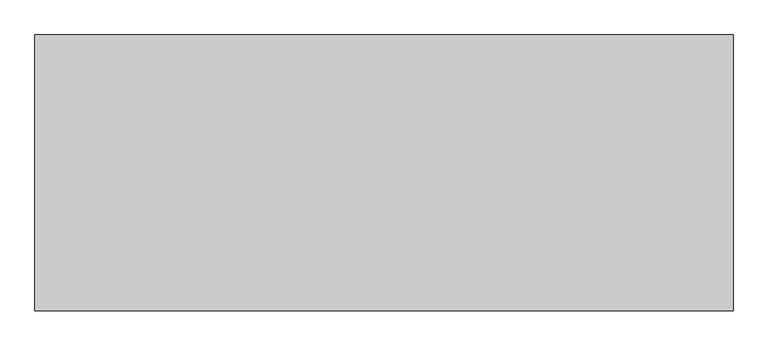
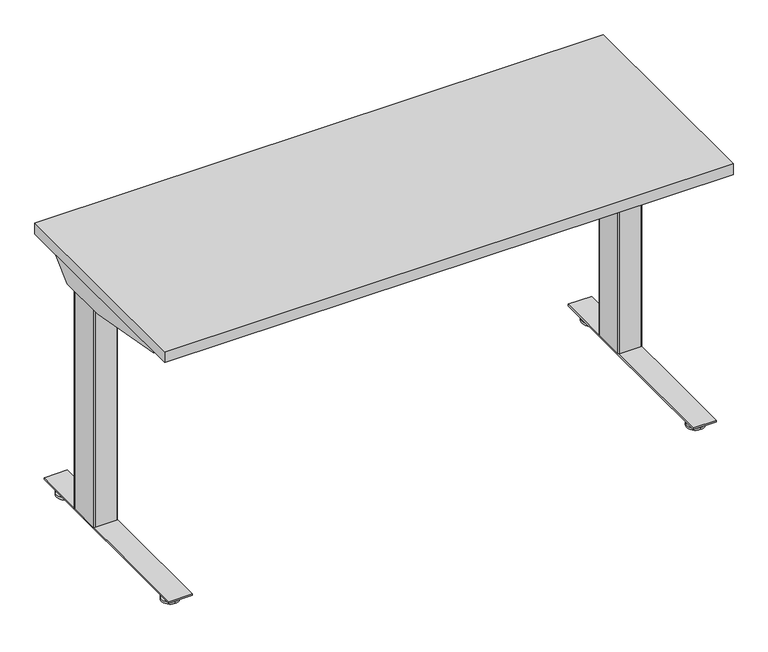
"""IFC4 building model written with IfcOpenShell, lengths in millimetres: furniture geometry."""

from ifc_helpers import new_model, si_unit, point, frame, frame_2d, origin, place, context, project, spatial, polyline, circle_curve, trimmed, segment, composite_curve, outline, extrude, source, transform, mapped, element, save
from ifc_brep_helpers import plane_surface, cylinder_surface, revolved_surface, advanced_brep


def furniture_55f38a4c(model_context):
    return source(origin(), model_context, "Body", "SolidModel", [
        extrude(outline(composite_curve([segment(polyline([(24.0299808, 91.9126008), (24.0299808, 89.2526023), (15.0465732, 89.2526023)]), True, "CONTINUOUS"), segment(trimmed(circle_curve(frame_2d((15.0465732, 88.1760101)), 1.0765922), [point((15.0465732, 89.2526023))], [point((13.969981, 88.1760101))], True, "CARTESIAN"), True, "CONTINUOUS"), segment(polyline([(13.969981, 88.1760101), (13.969981, 57.733733)]), True, "CONTINUOUS"), segment(trimmed(circle_curve(frame_2d((14.981112, 57.733733)), 1.011131), [point((13.969981, 57.733733))], [point((14.981112, 56.7226021))], True, "CARTESIAN"), True, "CONTINUOUS"), segment(polyline([(14.981112, 56.7226021), (24.0299808, 56.7226021), (24.0299808, 54.0625991), (14.9699813, 54.0625991), (13.1399808, 54.5529489), (11.8003278, 55.8926019), (11.3099815, 57.7226046), (11.3099815, 88.2526043), (11.8003278, 90.0826025), (13.1399808, 91.4222555), (14.9699813, 91.9126008), (24.0299808, 91.9126008)]), True, "CONTINUOUS")], self_intersect=False)), frame((0.0, -569.9468746, 0.0), z_axis=(0.0, 1.0, 0.0), x_axis=(0.0, 0.0, 1.0)), (0.0, 0.0, 1.0), 507.9999924),
        advanced_brep(
        [(71.6136021, -573.6252467, 9.1e-06), (71.6136021, -551.0479001, 9.1e-06), (71.6136021, -528.4705535, 9.1e-06), (71.6136021, -573.6109304, 5.8932313), (71.6136021, -528.4848697, 5.8932313), (71.6136021, -554.5684154, 9.6997702), (71.6136021, -547.5273847, 9.6997702), (71.6136021, -554.5684154, 23.9856018), (71.6136021, -547.5273847, 23.9856018), (71.6136021, -551.0479001, 23.9856018)],
        [
            (0, 1),
            (1, 2),
            (2, 0, circle_curve(frame((71.6136021, -551.0479001, 9.1e-06), z_axis=(0.0, 0.0, -1.0), x_axis=(0.0, 1.0, 0.0)), 22.5773466)),
            (0, 2, circle_curve(frame((71.6136021, -551.0479001, 9.1e-06), z_axis=(0.0, 0.0, -1.0), x_axis=(0.0, 1.0, 0.0)), 22.5773466)),
            (3, 0),
            (2, 4),
            (4, 3, circle_curve(frame((71.6136021, -551.0479001, 5.8932313), z_axis=(0.0, 0.0, -1.0), x_axis=(0.0, 1.0, 0.0)), 22.5630303)),
            (3, 4, circle_curve(frame((71.6136021, -551.0479001, 5.8932313), z_axis=(0.0, 0.0, -1.0), x_axis=(0.0, 1.0, 0.0)), 22.5630303)),
            (5, 3),
            (4, 6),
            (6, 5, circle_curve(frame((71.6136021, -551.0479001, 9.6997702), z_axis=(0.0, 0.0, -1.0), x_axis=(0.0, 1.0, 0.0)), 3.5205153)),
            (5, 6, circle_curve(frame((71.6136021, -551.0479001, 9.6997702), z_axis=(0.0, 0.0, -1.0), x_axis=(0.0, 1.0, 0.0)), 3.5205153)),
            (7, 5),
            (6, 8),
            (8, 7, circle_curve(frame((71.6136021, -551.0479001, 23.9856018), z_axis=(0.0, 0.0, -1.0), x_axis=(0.0, 1.0, 0.0)), 3.5205153)),
            (7, 8, circle_curve(frame((71.6136021, -551.0479001, 23.9856018), z_axis=(0.0, 0.0, -1.0), x_axis=(0.0, 1.0, 0.0)), 3.5205153)),
            (9, 7),
            (8, 9),
        ],
        [
            plane_surface(frame((71.6136021, -551.0479001, 9.1e-06), z_axis=(0.0, 0.0, -1.0), x_axis=(0.0, 1.0, 0.0))),
            revolved_surface(polyline([(71.6136021, -528.4705535, 9.1e-06), (71.6136021, -528.4848697, 5.8932313)]), (71.6136021, -551.0479001, -6.3499909), (0.0, 0.0, 1.0)),
            revolved_surface(polyline([(71.6136021, -528.4848697, 5.8932313), (71.6136021, -547.5273847, 9.6997702)]), (71.6136021, -551.0479001, -6.3499909), (0.0, 0.0, 1.0)),
            cylinder_surface(frame((71.6136021, -551.0479001, -6.3499909), z_axis=(0.0, 0.0, 1.0), x_axis=(0.0, 1.0, 0.0)), 3.5205153),
            plane_surface(frame((71.6136021, -551.0479001, 23.9856018), z_axis=(0.0, 0.0, 1.0), x_axis=(0.0, 1.0, 0.0))),
        ],
        [
            (0, [[1, 2, 3]]),
            (0, [[-2, -1, 4]]),
            (1, [[5, -3, 6, 7]]),
            (1, [[-6, -4, -5, 8]]),
            (2, [[9, -7, 10, 11]]),
            (2, [[-10, -8, -9, 12]]),
            (3, [[13, -11, 14, 15]]),
            (3, [[-14, -12, -13, 16]]),
            (4, [[17, -15, 18]]),
            (4, [[-18, -16, -17]]),
        ],
    ),
        advanced_brep(
        [(71.6136021, -80.677371, 23.9447896), (71.6136021, -84.2813634, 23.9447896), (71.6136021, -77.0733786, 23.9447896), (71.6136021, -103.3167838, 9.1e-06), (71.6136021, -80.677371, 9.1e-06), (71.6136021, -58.0379582, 9.1e-06), (71.6136021, -103.3024934, 5.8932313), (71.6136021, -58.0522486, 5.8932313), (71.6136021, -84.2599821, 9.6997702), (71.6136021, -77.0947599, 9.6997702)],
        [
            (0, 1),
            (1, 2, circle_curve(frame((71.6136021, -80.677371, 23.9447896), z_axis=(0.0, 0.0, 1.0), x_axis=(0.0, 1.0, 0.0)), 3.6039924)),
            (2, 0),
            (2, 1, circle_curve(frame((71.6136021, -80.677371, 23.9447896), z_axis=(0.0, 0.0, 1.0), x_axis=(0.0, 1.0, 0.0)), 3.6039924)),
            (3, 4),
            (4, 5),
            (5, 3, circle_curve(frame((71.6136021, -80.677371, 9.1e-06), z_axis=(0.0, 0.0, -1.0), x_axis=(0.0, 1.0, 0.0)), 22.6394128)),
            (3, 5, circle_curve(frame((71.6136021, -80.677371, 9.1e-06), z_axis=(0.0, 0.0, -1.0), x_axis=(0.0, 1.0, 0.0)), 22.6394128)),
            (6, 3),
            (5, 7),
            (7, 6, circle_curve(frame((71.6136021, -80.677371, 5.8932313), z_axis=(0.0, 0.0, -1.0), x_axis=(0.0, 1.0, 0.0)), 22.6251224)),
            (6, 7, circle_curve(frame((71.6136021, -80.677371, 5.8932313), z_axis=(0.0, 0.0, -1.0), x_axis=(0.0, 1.0, 0.0)), 22.6251224)),
            (8, 6),
            (7, 9),
            (9, 8, circle_curve(frame((71.6136021, -80.677371, 9.6997702), z_axis=(0.0, 0.0, -1.0), x_axis=(0.0, 1.0, 0.0)), 3.5826111)),
            (8, 9, circle_curve(frame((71.6136021, -80.677371, 9.6997702), z_axis=(0.0, 0.0, -1.0), x_axis=(0.0, 1.0, 0.0)), 3.5826111)),
            (1, 8),
            (9, 2),
        ],
        [
            plane_surface(frame((71.6136021, -80.677371, 23.9447896), z_axis=(0.0, 0.0, 1.0), x_axis=(0.0, 1.0, 0.0))),
            plane_surface(frame((71.6136021, -80.677371, 9.1e-06), z_axis=(0.0, 0.0, -1.0), x_axis=(0.0, 1.0, 0.0))),
            revolved_surface(polyline([(71.6136021, -58.0379582, 9.1e-06), (71.6136021, -58.0522486, 5.8932313)]), (71.6136021, -80.677371, -4.2199069), (0.0, 0.0, 1.0)),
            revolved_surface(polyline([(71.6136021, -58.0522486, 5.8932313), (71.6136021, -77.0947599, 9.6997702)]), (71.6136021, -80.677371, -4.2199069), (0.0, 0.0, 1.0)),
            cylinder_surface(frame((71.6136021, -80.677371, -4.2199069), z_axis=(0.0, 0.0, 1.0), x_axis=(0.0, 1.0, 0.0)), 3.5617141),
        ],
        [
            (0, [[1, 2, 3]]),
            (0, [[-3, 4, -1]]),
            (1, [[5, 6, 7]]),
            (1, [[-6, -5, 8]]),
            (2, [[9, -7, 10, 11]]),
            (2, [[-10, -8, -9, 12]]),
            (3, [[13, -11, 14, 15]]),
            (3, [[-14, -12, -13, 16]]),
            (4, [[17, -15, 18, -2]]),
            (4, [[-18, -16, -17, -4]]),
        ],
    ),
        extrude(outline(polyline([(42.9876029, -36.5468837), (102.9576025, -36.5468837), (102.9576025, -595.3468867), (42.9876029, -595.3468867), (42.9876029, -36.5468837)])), frame((0.0, 0.0, 24.0299808), z_axis=(0.0, 0.0, 1.0), x_axis=(1.0, 0.0, 0.0)), (0.0, 0.0, 1.0), 4.1800001),
        extrude(outline(composite_curve([segment(polyline([(98.1047994, -176.9740482), (98.1047994, -259.4776259)]), True, "CONTINUOUS"), segment(trimmed(circle_curve(frame_2d((95.8187994, -259.4776259)), 2.286), [point((98.1047994, -259.4776259))], [point((95.8187994, -261.7636259))], False, "CARTESIAN"), True, "CONTINUOUS"), segment(polyline([(95.8187994, -261.7636259), (47.5023125, -261.7636259)]), True, "CONTINUOUS"), segment(trimmed(circle_curve(frame_2d((47.5023125, -259.4776259)), 2.286), [point((47.5023125, -261.7636259))], [point((45.2163125, -259.4776259))], False, "CARTESIAN"), True, "CONTINUOUS"), segment(polyline([(45.2163125, -259.4776259), (45.2163125, -176.8141955)]), True, "CONTINUOUS"), segment(trimmed(circle_curve(frame_2d((47.5023125, -176.9740482)), 2.2915822), [point((45.2163125, -176.8141955))], [point((47.3424598, -174.6880482))], False, "CARTESIAN"), True, "CONTINUOUS"), segment(polyline([(47.3424598, -174.6880482), (95.8187994, -174.6880482)]), True, "CONTINUOUS"), segment(trimmed(circle_curve(frame_2d((95.8187994, -176.9740482)), 2.286), [point((95.8187994, -174.6880482))], [point((98.1047994, -176.9740482))], False, "CARTESIAN"), True, "CONTINUOUS")], self_intersect=False)), frame((0.0, 0.0, 631.6980091), z_axis=(0.0, 0.0, 1.0), x_axis=(1.0, 0.0, 0.0)), (0.0, 0.0, 1.0), 51.7201446),
        extrude(outline(composite_curve([segment(polyline([(44.6584207, -171.761107), (100.2656021, -171.761107)]), True, "CONTINUOUS"), segment(trimmed(circle_curve(frame_2d((100.2656021, -174.809107)), 3.048), [point((100.2656021, -171.761107))], [point((103.3136021, -174.809107))], False, "CARTESIAN"), True, "CONTINUOUS"), segment(polyline([(103.3136021, -174.809107), (103.3136021, -258.707113)]), True, "CONTINUOUS"), segment(trimmed(circle_curve(frame_2d((100.2656021, -258.707113)), 3.048), [point((103.3136021, -258.707113))], [point((100.2635382, -261.7551123))], False, "CARTESIAN"), True, "CONTINUOUS"), segment(polyline([(100.2635382, -261.7551123), (44.638999, -261.7174476)]), True, "CONTINUOUS"), segment(trimmed(circle_curve(frame_2d((44.6410511, -258.686818)), 3.0306304), [point((44.638999, -261.7174476))], [point((41.6104207, -258.686818))], False, "CARTESIAN"), True, "CONTINUOUS"), segment(polyline([(41.6104207, -258.686818), (41.6104207, -174.809107)]), True, "CONTINUOUS"), segment(trimmed(circle_curve(frame_2d((44.6584207, -174.809107)), 3.048), [point((41.6104207, -174.809107))], [point((44.6584207, -171.761107))], False, "CARTESIAN"), True, "CONTINUOUS")], self_intersect=False)), frame((0.0, 0.0, 28.209981), z_axis=(0.0, 0.0, 1.0), x_axis=(1.0, 0.0, 0.0)), (0.0, 0.0, 1.0), 603.4880281),
        extrude(outline(composite_curve([segment(polyline([(24.0299717, 1409.9357036), (14.9699722, 1409.9357036), (13.1399717, 1410.4260488), (11.8003187, 1411.7657018), (11.3099724, 1413.5957), (11.3099724, 1444.1256997), (11.8003187, 1445.9557024), (13.1399717, 1447.2953554), (14.9699722, 1447.7857052), (24.0299717, 1447.7857052), (24.0299717, 1445.1257022), (14.9811029, 1445.1257022)]), True, "CONTINUOUS"), segment(trimmed(circle_curve(frame_2d((14.9811029, 1444.1145713)), 1.011131), [point((14.9811029, 1445.1257022))], [point((13.9699719, 1444.1145713))], True, "CARTESIAN"), True, "CONTINUOUS"), segment(polyline([(13.9699719, 1444.1145713), (13.9699719, 1413.6722942)]), True, "CONTINUOUS"), segment(trimmed(circle_curve(frame_2d((15.0465641, 1413.6722942)), 1.0765922), [point((13.9699719, 1413.6722942))], [point((15.0465641, 1412.595702))], True, "CARTESIAN"), True, "CONTINUOUS"), segment(polyline([(15.0465641, 1412.595702), (24.0299717, 1412.595702), (24.0299717, 1409.9357036)]), True, "CONTINUOUS")], self_intersect=False)), frame((0.0, -569.9468746, 0.0), z_axis=(0.0, 1.0, 0.0), x_axis=(0.0, 0.0, 1.0)), (0.0, 0.0, 1.0), 507.9999924),
        advanced_brep(
        [(1430.2347023, -573.6252467, 0.0), (1430.2347023, -528.4705535, 0.0), (1430.2347023, -551.0479001, 0.0), (1430.2347023, -573.6109304, 5.8932222), (1430.2347023, -528.4848697, 5.8932222), (1430.2347023, -554.5684154, 9.6997611), (1430.2347023, -547.5273847, 9.6997611), (1430.2347023, -554.5684154, 23.9855927), (1430.2347023, -547.5273847, 23.9855927), (1430.2347023, -551.0479001, 23.9855927)],
        [
            (0, 1, circle_curve(frame((1430.2347023, -551.0479001, 0.0), z_axis=(0.0, 0.0, -1.0), x_axis=(0.0, 1.0, 0.0)), 22.5773466)),
            (1, 2),
            (2, 0),
            (1, 0, circle_curve(frame((1430.2347023, -551.0479001, 0.0), z_axis=(0.0, 0.0, -1.0), x_axis=(0.0, 1.0, 0.0)), 22.5773466)),
            (3, 4, circle_curve(frame((1430.2347023, -551.0479001, 5.8932222), z_axis=(0.0, 0.0, -1.0), x_axis=(0.0, 1.0, 0.0)), 22.5630303)),
            (4, 1),
            (0, 3),
            (4, 3, circle_curve(frame((1430.2347023, -551.0479001, 5.8932222), z_axis=(0.0, 0.0, -1.0), x_axis=(0.0, 1.0, 0.0)), 22.5630303)),
            (5, 6, circle_curve(frame((1430.2347023, -551.0479001, 9.6997611), z_axis=(0.0, 0.0, -1.0), x_axis=(0.0, 1.0, 0.0)), 3.5205153)),
            (6, 4),
            (3, 5),
            (6, 5, circle_curve(frame((1430.2347023, -551.0479001, 9.6997611), z_axis=(0.0, 0.0, -1.0), x_axis=(0.0, 1.0, 0.0)), 3.5205153)),
            (7, 8, circle_curve(frame((1430.2347023, -551.0479001, 23.9855927), z_axis=(0.0, 0.0, -1.0), x_axis=(0.0, 1.0, 0.0)), 3.5205153)),
            (8, 6),
            (5, 7),
            (8, 7, circle_curve(frame((1430.2347023, -551.0479001, 23.9855927), z_axis=(0.0, 0.0, -1.0), x_axis=(0.0, 1.0, 0.0)), 3.5205153)),
            (9, 8),
            (7, 9),
        ],
        [
            plane_surface(frame((1430.2347023, -551.0479001, 0.0), z_axis=(0.0, 0.0, -1.0), x_axis=(0.0, 1.0, 0.0))),
            revolved_surface(polyline([(1430.2347023, -528.4705535, 0.0), (1430.2347023, -528.4848697, 5.8932222)]), (1430.2347023, -551.0479001, -6.35), (0.0, 0.0, 1.0)),
            revolved_surface(polyline([(1430.2347023, -528.4848697, 5.8932222), (1430.2347023, -547.5273847, 9.6997611)]), (1430.2347023, -551.0479001, -6.35), (0.0, 0.0, 1.0)),
            cylinder_surface(frame((1430.2347023, -551.0479001, -6.35), z_axis=(0.0, 0.0, 1.0), x_axis=(0.0, 1.0, 0.0)), 3.5205153),
            plane_surface(frame((1430.2347023, -551.0479001, 23.9855927), z_axis=(0.0, 0.0, 1.0), x_axis=(0.0, 1.0, 0.0))),
        ],
        [
            (0, [[1, 2, 3]]),
            (0, [[4, -3, -2]]),
            (1, [[5, 6, -1, 7]]),
            (1, [[8, -7, -4, -6]]),
            (2, [[9, 10, -5, 11]]),
            (2, [[12, -11, -8, -10]]),
            (3, [[13, 14, -9, 15]]),
            (3, [[16, -15, -12, -14]]),
            (4, [[17, -13, 18]]),
            (4, [[-18, -16, -17]]),
        ],
    ),
        advanced_brep(
        [(1430.2347023, -80.677371, 23.9447805), (1430.2347023, -77.0733786, 23.9447805), (1430.2347023, -84.2813634, 23.9447805), (1430.2347023, -103.3167838, 0.0), (1430.2347023, -58.0379582, 0.0), (1430.2347023, -80.677371, 0.0), (1430.2347023, -103.3024934, 5.8932222), (1430.2347023, -58.0522486, 5.8932222), (1430.2347023, -84.2599821, 9.6997611), (1430.2347023, -77.0947599, 9.6997611)],
        [
            (0, 1),
            (1, 2, circle_curve(frame((1430.2347023, -80.677371, 23.9447805), z_axis=(0.0, 0.0, 1.0), x_axis=(0.0, 1.0, 0.0)), 3.6039924)),
            (2, 0),
            (2, 1, circle_curve(frame((1430.2347023, -80.677371, 23.9447805), z_axis=(0.0, 0.0, 1.0), x_axis=(0.0, 1.0, 0.0)), 3.6039924)),
            (3, 4, circle_curve(frame((1430.2347023, -80.677371, 0.0), z_axis=(0.0, 0.0, -1.0), x_axis=(0.0, 1.0, 0.0)), 22.6394128)),
            (4, 5),
            (5, 3),
            (4, 3, circle_curve(frame((1430.2347023, -80.677371, 0.0), z_axis=(0.0, 0.0, -1.0), x_axis=(0.0, 1.0, 0.0)), 22.6394128)),
            (6, 7, circle_curve(frame((1430.2347023, -80.677371, 5.8932222), z_axis=(0.0, 0.0, -1.0), x_axis=(0.0, 1.0, 0.0)), 22.6251224)),
            (7, 4),
            (3, 6),
            (7, 6, circle_curve(frame((1430.2347023, -80.677371, 5.8932222), z_axis=(0.0, 0.0, -1.0), x_axis=(0.0, 1.0, 0.0)), 22.6251224)),
            (8, 9, circle_curve(frame((1430.2347023, -80.677371, 9.6997611), z_axis=(0.0, 0.0, -1.0), x_axis=(0.0, 1.0, 0.0)), 3.5826111)),
            (9, 7),
            (6, 8),
            (9, 8, circle_curve(frame((1430.2347023, -80.677371, 9.6997611), z_axis=(0.0, 0.0, -1.0), x_axis=(0.0, 1.0, 0.0)), 3.5826111)),
            (1, 9),
            (8, 2),
        ],
        [
            plane_surface(frame((1430.2347023, -80.677371, 23.9447805), z_axis=(0.0, 0.0, 1.0), x_axis=(0.0, 1.0, 0.0))),
            plane_surface(frame((1430.2347023, -80.677371, 0.0), z_axis=(0.0, 0.0, -1.0), x_axis=(0.0, 1.0, 0.0))),
            revolved_surface(polyline([(1430.2347023, -58.0379582, 0.0), (1430.2347023, -58.0522486, 5.8932222)]), (1430.2347023, -80.677371, -4.219916), (0.0, 0.0, 1.0)),
            revolved_surface(polyline([(1430.2347023, -58.0522486, 5.8932222), (1430.2347023, -77.0947599, 9.6997611)]), (1430.2347023, -80.677371, -4.219916), (0.0, 0.0, 1.0)),
            cylinder_surface(frame((1430.2347023, -80.677371, -4.219916), z_axis=(0.0, 0.0, 1.0), x_axis=(0.0, 1.0, 0.0)), 3.5617141),
        ],
        [
            (0, [[1, 2, 3]]),
            (0, [[-3, 4, -1]]),
            (1, [[5, 6, 7]]),
            (1, [[8, -7, -6]]),
            (2, [[9, 10, -5, 11]]),
            (2, [[12, -11, -8, -10]]),
            (3, [[13, 14, -9, 15]]),
            (3, [[16, -15, -12, -14]]),
            (4, [[-2, 17, -13, 18]]),
            (4, [[-4, -18, -16, -17]]),
        ],
    ),
        extrude(outline(polyline([(1458.8607014, -36.5468837), (1458.8607014, -595.3468867), (1398.8907019, -595.3468867), (1398.8907019, -36.5468837), (1458.8607014, -36.5468837)])), frame((0.0, 0.0, 24.0299717), z_axis=(0.0, 0.0, 1.0), x_axis=(1.0, 0.0, 0.0)), (0.0, 0.0, 1.0), 4.1800001),
        extrude(outline(composite_curve([segment(trimmed(circle_curve(frame_2d((1406.0295049, -176.9740482)), 2.286), [point((1403.7435049, -176.9740482))], [point((1406.0295049, -174.6880482))], False, "CARTESIAN"), True, "CONTINUOUS"), segment(polyline([(1406.0295049, -174.6880482), (1454.5058445, -174.6880482)]), True, "CONTINUOUS"), segment(trimmed(circle_curve(frame_2d((1454.3459918, -176.9740482)), 2.2915822), [point((1454.5058445, -174.6880482))], [point((1456.6319918, -176.8141955))], False, "CARTESIAN"), True, "CONTINUOUS"), segment(polyline([(1456.6319918, -176.8141955), (1456.6319918, -259.4776259)]), True, "CONTINUOUS"), segment(trimmed(circle_curve(frame_2d((1454.3459918, -259.4776259)), 2.286), [point((1456.6319918, -259.4776259))], [point((1454.3459918, -261.7636259))], False, "CARTESIAN"), True, "CONTINUOUS"), segment(polyline([(1454.3459918, -261.7636259), (1406.0295049, -261.7636259)]), True, "CONTINUOUS"), segment(trimmed(circle_curve(frame_2d((1406.0295049, -259.4776259)), 2.286), [point((1406.0295049, -261.7636259))], [point((1403.7435049, -259.4776259))], False, "CARTESIAN"), True, "CONTINUOUS"), segment(polyline([(1403.7435049, -259.4776259), (1403.7435049, -176.9740482)]), True, "CONTINUOUS")], self_intersect=False)), frame((0.0, 0.0, 631.698), z_axis=(0.0, 0.0, 1.0), x_axis=(1.0, 0.0, 0.0)), (0.0, 0.0, 1.0), 51.7201446),
        extrude(outline(composite_curve([segment(trimmed(circle_curve(frame_2d((1457.1898836, -174.809107)), 3.048), [point((1457.1898836, -171.761107))], [point((1460.2378836, -174.809107))], False, "CARTESIAN"), True, "CONTINUOUS"), segment(polyline([(1460.2378836, -174.809107), (1460.2378836, -258.686818)]), True, "CONTINUOUS"), segment(trimmed(circle_curve(frame_2d((1457.2072532, -258.686818)), 3.0306304), [point((1460.2378836, -258.686818))], [point((1457.2093053, -261.7174476))], False, "CARTESIAN"), True, "CONTINUOUS"), segment(polyline([(1457.2093053, -261.7174476), (1401.5847661, -261.7551123)]), True, "CONTINUOUS"), segment(trimmed(circle_curve(frame_2d((1401.5827022, -258.707113)), 3.048), [point((1401.5847661, -261.7551123))], [point((1398.5347022, -258.707113))], False, "CARTESIAN"), True, "CONTINUOUS"), segment(polyline([(1398.5347022, -258.707113), (1398.5347022, -174.809107)]), True, "CONTINUOUS"), segment(trimmed(circle_curve(frame_2d((1401.5827022, -174.809107)), 3.048), [point((1398.5347022, -174.809107))], [point((1401.5827022, -171.761107))], False, "CARTESIAN"), True, "CONTINUOUS"), segment(polyline([(1401.5827022, -171.761107), (1457.1898836, -171.761107)]), True, "CONTINUOUS")], self_intersect=False)), frame((0.0, 0.0, 28.2099719), z_axis=(0.0, 0.0, 1.0), x_axis=(1.0, 0.0, 0.0)), (0.0, 0.0, 1.0), 603.4880281),
        extrude(outline(composite_curve([segment(polyline([(-174.2581839, 647.0168781), (-262.5697314, 647.0168781)]), True, "CONTINUOUS"), segment(trimmed(circle_curve(frame_2d((-262.5697314, 649.9943465)), 2.9774683), [point((-262.5697314, 647.0168781))], [point((-265.5471997, 649.9943465))], False, "CARTESIAN"), True, "CONTINUOUS"), segment(polyline([(-265.5471997, 649.9943465), (-265.5471997, 694.8677758), (-263.6471704, 694.8677758), (-263.6471704, 649.8787996)]), True, "CONTINUOUS"), segment(trimmed(circle_curve(frame_2d((-262.6852783, 649.8787996)), 0.9618921), [point((-263.6471704, 649.8787996))], [point((-262.6852783, 648.9169075))], True, "CARTESIAN"), True, "CONTINUOUS"), segment(polyline([(-262.6852783, 648.9169075), (-174.1633297, 648.9169075)]), True, "CONTINUOUS"), segment(trimmed(circle_curve(frame_2d((-174.1633297, 650.0330418)), 1.1161343), [point((-174.1633297, 648.9169075))], [point((-173.0471954, 650.0330418))], True, "CARTESIAN"), True, "CONTINUOUS"), segment(polyline([(-173.0471954, 650.0330418), (-173.0471954, 694.8677758), (-171.1471842, 694.8677758), (-171.1471842, 650.1278778)]), True, "CONTINUOUS"), segment(trimmed(circle_curve(frame_2d((-174.2581839, 650.1278778)), 3.1109997), [point((-171.1471842, 650.1278778))], [point((-174.2581839, 647.0168781))], False, "CARTESIAN"), True, "CONTINUOUS")], self_intersect=False)), frame((103.3136021, 0.0, 0.0), z_axis=(1.0, 0.0, 0.0), x_axis=(0.0, 1.0, 0.0)), (0.0, 0.0, 1.0), 1295.2211001),
        extrude(outline(polyline([(-535.7042925, 694.8677758), (-96.2085395, 694.8677758), (-96.2085395, 675.8011882), (-149.1003514, 628.7895622), (-285.4074771, 628.7895622), (-535.7042925, 674.5604147), (-535.7042925, 694.8677758)])), frame((38.1482286, 0.0, 0.0), z_axis=(1.0, 0.0, 0.0), x_axis=(0.0, 1.0, 0.0)), (0.0, 0.0, 1.0), 1.8999567),
        extrude(outline(polyline([(-535.7042925, 694.8677758), (-96.247586, 694.8677758), (-96.247586, 675.7869686), (-149.1003514, 628.7895622), (-285.4074771, 628.7895622), (-535.7042925, 674.5604147), (-535.7042925, 694.8677758)])), frame((1480.8760334, 0.0, 0.0), z_axis=(1.0, 0.0, 0.0), x_axis=(0.0, 1.0, 0.0)), (0.0, 0.0, 1.0), 1.8999567),
        extrude(outline(polyline([(25.4000008, -25.4000008), (1495.5520271, -25.4000008), (1495.5520271, -606.5520029), (25.4000008, -606.5520029), (25.4000008, -25.4000008)])), frame((0.0, 0.0, 694.8677758), z_axis=(0.0, 0.0, 1.0), x_axis=(1.0, 0.0, 0.0)), (0.0, 0.0, 1.0), 29.8704242),
    ])


if __name__ == "__main__":
    model = new_model("IFC4")
    model_context = context("Model", 3, world=origin())
    ifc_project = project(units=[si_unit("LENGTHUNIT", "METRE", prefix="MILLI")], contexts=[model_context])
    site = spatial("IfcSite", under=ifc_project)
    building = spatial("IfcBuilding", under=site)
    placement = place(None, origin())
    furniture_shape = furniture_55f38a4c(model_context)
    element("IfcFurniture", 1, at=placement, inside=building, context=model_context, shape_type="MappedRepresentation", body=[
        mapped(furniture_shape, transform((0.0, 0.0, 0.0), x_axis=(1.0, 0.0, 0.0), y_axis=(0.0, 1.0, 0.0), z_axis=(0.0, 0.0, 1.0))),
    ])
    save(model, "model.ifc")
